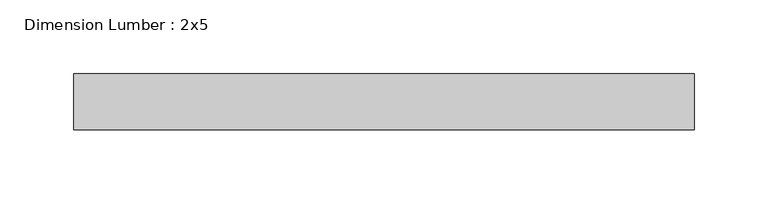
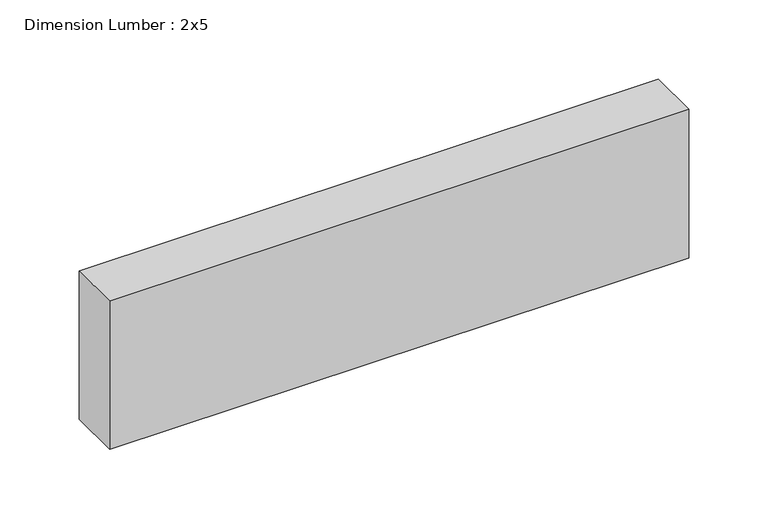
"""IFC4 building model written with IfcOpenShell, lengths in millimetres: beam geometry, Dimension Lumber : 2x5."""

from ifc_helpers import new_model, si_unit, frame, origin, place, context, project, spatial, polyline, outline, extrude, source, transform, mapped, element, save


def dimension_lumber_2x5_e0e01252(model_context):
    return source(origin(), model_context, "Body", "SweptSolid", [
        extrude(outline(polyline([(207.8432417, 19.05), (207.8432417, -19.05), (-213.019999, -19.05), (-213.019999, 19.05), (207.8432417, 19.05)])), frame((0.0, 0.0, -57.15), z_axis=(0.0, 0.0, 1.0), x_axis=(1.0, 0.0, 0.0)), (0.0, 0.0, 1.0), 114.3),
    ])


if __name__ == "__main__":
    model = new_model("IFC4")
    model_context = context("Model", 3, world=origin())
    ifc_project = project(units=[si_unit("LENGTHUNIT", "METRE", prefix="MILLI")], contexts=[model_context])
    site = spatial("IfcSite", under=ifc_project)
    building = spatial("IfcBuilding", under=site)
    placement = place(None, origin())
    dimension_lumber_2x5_shape = dimension_lumber_2x5_e0e01252(model_context)
    element("IfcBeam", 1, ObjectType="Dimension Lumber : 2x5", at=placement, inside=building, context=model_context, shape_type="MappedRepresentation", body=[
        mapped(dimension_lumber_2x5_shape, transform((0.0, 0.0, 0.0), x_axis=(1.0, 0.0, 0.0), y_axis=(0.0, 1.0, 0.0), z_axis=(0.0, 0.0, 1.0))),
    ])
    save(model, "model.ifc")
